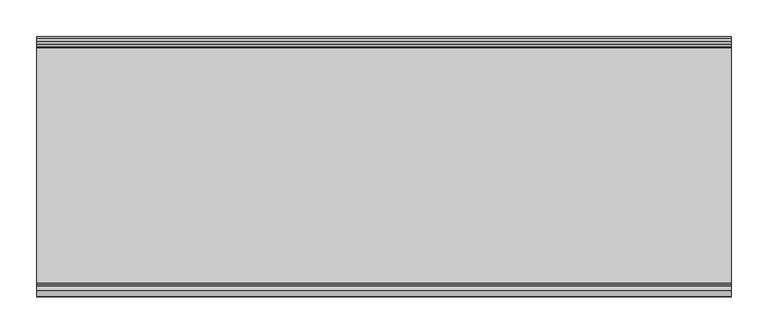
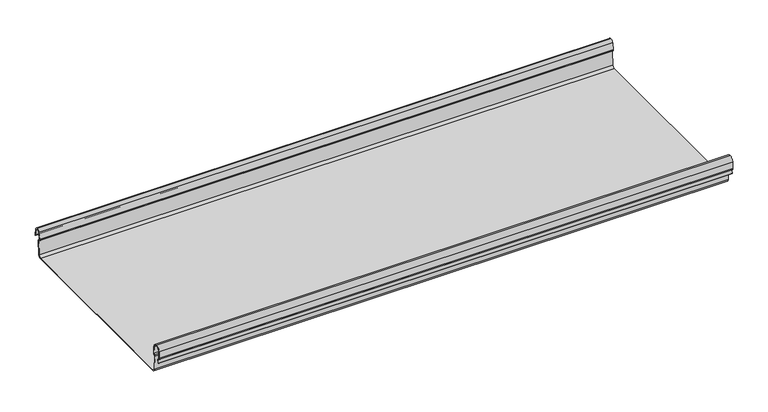
"""IFC4 building model written with IfcOpenShell, lengths in millimetres: beam geometry."""

from ifc_helpers import new_model, si_unit, frame, origin, place, context, project, spatial, polyline, circle_curve, source, transform, mapped, element, save
from ifc_brep_helpers import plane_surface, cylinder_surface, revolved_surface, advanced_brep


def beam_b357ab69(model_context):
    return source(origin(), model_context, "Body", "AdvancedBrep", [
        advanced_brep(
        [(472.5002337, 174.5298471, 17.4730576), (472.5002337, 169.9958217, 21.2486363), (472.5002337, 165.4890072, 17.6093124), (472.5002337, 163.0420077, 6.2503755), (472.5002337, 164.7006671, 3.7959761), (472.5002337, 165.8698319, 2.0849359), (472.5002337, 164.3793103, -21.3247551), (472.5002337, 160.6848586, -24.7896475), (472.5002337, -159.5640942, -24.7896475), (472.5002337, -163.2568715, -21.3207217), (472.5002337, -164.7263748, 2.1632779), (472.5002337, -164.0984471, 3.0966958), (472.5002337, -161.8868093, 6.1624874), (472.5002337, -162.770348, 17.3389905), (472.5002337, -170.0, 24.0196704), (472.5002337, -177.229652, 17.3389905), (472.5002337, -178.1131907, 6.1624874), (472.5002337, -175.9015529, 3.0966958), (472.5002337, -175.2736252, 2.1632779), (472.5002337, -175.6653397, -4.0966758), (472.5002337, -174.6633838, -4.0966758), (472.5002337, -174.255975, 2.4140875), (472.5002337, -175.661391, 4.0675496), (472.5002337, -177.1158116, 6.08368), (472.5002337, -176.2261211, 17.3379999), (472.5002337, -170.0, 23.0196704), (472.5002337, -163.767144, 17.2589936), (472.5002337, -162.8795452, 6.0037927), (472.5002337, -164.338609, 4.0675496), (472.5002337, -165.744025, 2.4140875), (472.5002337, -164.2549195, -21.3831743), (472.5002337, -159.5640942, -25.7896475), (472.5002337, 160.6846135, -25.7896475), (472.5002337, 165.3772895, -21.3882975), (472.5002337, 166.868024, 2.0247376), (472.5002337, 164.9644432, 4.7613501), (472.5002337, 164.0277999, 6.0779003), (472.5002337, 166.4434849, 17.2822335), (472.5002337, 170.0063307, 20.2496221), (472.5002337, 173.4803249, 17.6539317), (472.5002337, 175.5075757, 6.5459412), (472.5002337, 176.5074356, 6.7299959), (-472.5002337, 174.5298471, 17.4730576), (-472.5002337, 176.5074356, 6.7299959), (-472.5002337, 175.5075757, 6.5459412), (-472.5002337, 173.4803249, 17.6539317), (-472.5002337, 170.0063307, 20.2496221), (-472.5002337, 166.4434849, 17.2822335), (-472.5002337, 164.0277999, 6.0779003), (-472.5002337, 164.9644432, 4.7613501), (-472.5002337, 166.868024, 2.0247376), (-472.5002337, 165.3772895, -21.3882975), (-472.5002337, 160.6846135, -25.7896475), (-472.5002337, -159.5640942, -25.7896475), (-472.5002337, -164.2549195, -21.3831743), (-472.5002337, -165.744025, 2.4140875), (-472.5002337, -164.338609, 4.0675496), (-472.5002337, -162.8795452, 6.0037927), (-472.5002337, -163.767144, 17.2589936), (-472.5002337, -170.0, 23.0196704), (-472.5002337, -176.2261211, 17.3379999), (-472.5002337, -177.1158116, 6.08368), (-472.5002337, -175.661391, 4.0675496), (-472.5002337, -174.255975, 2.4140875), (-472.5002337, -174.6633838, -4.0966758), (-472.5002337, -175.6653397, -4.0966758), (-472.5002337, -175.2736252, 2.1632779), (-472.5002337, -175.9015529, 3.0966958), (-472.5002337, -178.1066021, 6.2458324), (-472.5002337, -177.229652, 17.3389905), (-472.5002337, -170.0, 24.0196704), (-472.5002337, -162.770348, 17.3389905), (-472.5002337, -161.8868093, 6.1624874), (-472.5002337, -164.0984471, 3.0966958), (-472.5002337, -164.7263748, 2.1632779), (-472.5002337, -163.2568715, -21.3207217), (-472.5002337, -159.5640942, -24.7896475), (-472.5002337, 160.6848586, -24.7896475), (-472.5002337, 164.3793103, -21.3247551), (-472.5002337, 165.8698319, 2.0849359), (-472.5002337, 164.7006671, 3.7959761), (-472.5002337, 163.0420077, 6.2503755), (-472.5002337, 165.4890072, 17.6093124), (-472.5002337, 169.9958217, 21.2486363)],
        [
            (0, 1, circle_curve(frame((472.5002337, 169.9958217, 16.6384317), z_axis=(1.0, 0.0, 0.0), x_axis=(0.0, -1.0, 0.0)), 4.6102046)),
            (1, 2, circle_curve(frame((472.5002337, 169.9958217, 16.6384317), z_axis=(1.0, 0.0, 0.0), x_axis=(0.0, -1.0, 0.0)), 4.6102046)),
            (2, 3),
            (3, 4, circle_curve(frame((472.5002337, 165.4262002, 6.073937), z_axis=(1.0, 0.0, 0.0), x_axis=(0.0, -1.0, 0.0)), 2.3907121)),
            (4, 5, circle_curve(frame((472.5002337, 164.1897695, 2.1919074), z_axis=(-1.0, 0.0, 0.0), x_axis=(0.0, -1.0, 0.0)), 1.6834645)),
            (5, 6),
            (6, 7, circle_curve(frame((472.5002337, 160.6867875, -21.089648), z_axis=(-1.0, 0.0, 0.0), x_axis=(0.0, -1.0, 0.0)), 3.7)),
            (7, 8),
            (8, 9, circle_curve(frame((472.5002337, -159.5640942, -21.0896475), z_axis=(-1.0, 0.0, 0.0), x_axis=(0.0, -1.0, 0.0)), 3.7)),
            (9, 10),
            (10, 11, circle_curve(frame((472.5002337, -163.8044049, 2.2209698), z_axis=(-1.0, 0.0, 0.0), x_axis=(0.0, -1.0, 0.0)), 0.9237732)),
            (11, 12, circle_curve(frame((472.5002337, -164.7984694, 5.9323112), z_axis=(1.0, 0.0, 0.0), x_axis=(0.0, -1.0, 0.0)), 2.9207441)),
            (12, 13),
            (13, 14, circle_curve(frame((472.5002337, -170.0, 16.7674631), z_axis=(1.0, 0.0, 0.0), x_axis=(0.0, -1.0, 0.0)), 7.2522073)),
            (14, 15, circle_curve(frame((472.5002337, -170.0, 16.7674631), z_axis=(1.0, 0.0, 0.0), x_axis=(0.0, -1.0, 0.0)), 7.2522073)),
            (15, 16),
            (16, 17, circle_curve(frame((472.5002337, -175.2001089, 5.9344165), z_axis=(1.0, 0.0, 0.0), x_axis=(0.0, -1.0, 0.0)), 2.9231288)),
            (17, 18, circle_curve(frame((472.5002337, -176.1025472, 2.2835649), z_axis=(-1.0, 0.0, 0.0), x_axis=(0.0, -1.0, 0.0)), 0.8376041)),
            (18, 19),
            (19, 20, circle_curve(frame((472.5002337, -175.1643617, -4.0966758), z_axis=(1.0, 0.0, 0.0), x_axis=(0.0, -1.0, 0.0)), 0.5009779)),
            (20, 21),
            (21, 22, circle_curve(frame((472.5002337, -176.1062911, 2.2653702), z_axis=(1.0, 0.0, 0.0), x_axis=(0.0, -1.0, 0.0)), 1.856283)),
            (22, 23, circle_curve(frame((472.5002337, -175.2010412, 5.9323112), z_axis=(-1.0, 0.0, 0.0), x_axis=(0.0, -1.0, 0.0)), 1.9207441)),
            (23, 24),
            (24, 25, circle_curve(frame((472.5002337, -170.0770494, 16.8518958), z_axis=(-1.0, 0.0, 0.0), x_axis=(0.0, -1.0, 0.0)), 6.1682558)),
            (25, 26, circle_curve(frame((472.5002337, -170.0791743, 16.6817991), z_axis=(-1.0, 0.0, 0.0), x_axis=(0.0, -1.0, 0.0)), 6.3383658)),
            (26, 27),
            (27, 28, circle_curve(frame((472.5002337, -164.70299, 5.8599936), z_axis=(-1.0, 0.0, 0.0), x_axis=(0.0, -1.0, 0.0)), 1.8291061)),
            (28, 29, circle_curve(frame((472.5002337, -163.9886548, 2.3460727), z_axis=(1.0, 0.0, 0.0), x_axis=(0.0, -1.0, 0.0)), 1.7566874)),
            (29, 30),
            (30, 31, circle_curve(frame((472.5002337, -159.5640942, -21.0896475), z_axis=(1.0, 0.0, 0.0), x_axis=(0.0, -1.0, 0.0)), 4.7)),
            (31, 32),
            (32, 33, circle_curve(frame((472.5002337, 160.6846135, -21.0873301), z_axis=(1.0, 0.0, 0.0), x_axis=(0.0, -1.0, 0.0)), 4.7023174)),
            (33, 34),
            (34, 35, circle_curve(frame((472.5002337, 164.1939121, 2.1950013), z_axis=(1.0, 0.0, 0.0), x_axis=(0.0, -1.0, 0.0)), 2.6795268)),
            (35, 36, circle_curve(frame((472.5002337, 165.0972859, 5.8473161), z_axis=(-1.0, 0.0, 0.0), x_axis=(0.0, -1.0, 0.0)), 1.094061)),
            (36, 37),
            (37, 38, circle_curve(frame((472.5002337, 170.0063307, 16.627032), z_axis=(-1.0, 0.0, 0.0), x_axis=(0.0, -1.0, 0.0)), 3.6225901)),
            (38, 39, circle_curve(frame((472.5002337, 170.0063307, 16.627032), z_axis=(-1.0, 0.0, 0.0), x_axis=(0.0, -1.0, 0.0)), 3.6225901)),
            (39, 40),
            (40, 41, circle_curve(frame((472.5002337, 176.0075057, 6.6379685), z_axis=(1.0, 0.0, 0.0), x_axis=(0.0, -1.0, 0.0)), 0.5083296)),
            (41, 0),
            (42, 43),
            (43, 44, circle_curve(frame((-472.5002337, 176.0075057, 6.6379685), z_axis=(-1.0, 0.0, 0.0), x_axis=(0.0, -1.0, 0.0)), 0.5083296)),
            (44, 45),
            (45, 46, circle_curve(frame((-472.5002337, 170.0063307, 16.627032), z_axis=(1.0, 0.0, 0.0), x_axis=(0.0, -1.0, 0.0)), 3.6225901)),
            (46, 47, circle_curve(frame((-472.5002337, 170.0063307, 16.627032), z_axis=(1.0, 0.0, 0.0), x_axis=(0.0, -1.0, 0.0)), 3.6225901)),
            (47, 48),
            (48, 49, circle_curve(frame((-472.5002337, 165.0972859, 5.8473161), z_axis=(1.0, 0.0, 0.0), x_axis=(0.0, -1.0, 0.0)), 1.094061)),
            (49, 50, circle_curve(frame((-472.5002337, 164.1939121, 2.1950013), z_axis=(-1.0, 0.0, 0.0), x_axis=(0.0, -1.0, 0.0)), 2.6795268)),
            (50, 51),
            (51, 52, circle_curve(frame((-472.5002337, 160.6846135, -21.0873301), z_axis=(-1.0, 0.0, 0.0), x_axis=(0.0, -1.0, 0.0)), 4.7023174)),
            (52, 53),
            (53, 54, circle_curve(frame((-472.5002337, -159.5640942, -21.0896475), z_axis=(-1.0, 0.0, 0.0), x_axis=(0.0, -1.0, 0.0)), 4.7)),
            (54, 55),
            (55, 56, circle_curve(frame((-472.5002337, -163.9886548, 2.3460727), z_axis=(-1.0, 0.0, 0.0), x_axis=(0.0, -1.0, 0.0)), 1.7566874)),
            (56, 57, circle_curve(frame((-472.5002337, -164.70299, 5.8599936), z_axis=(1.0, 0.0, 0.0), x_axis=(0.0, -1.0, 0.0)), 1.8291061)),
            (57, 58),
            (58, 59, circle_curve(frame((-472.5002337, -170.0791743, 16.6817991), z_axis=(1.0, 0.0, 0.0), x_axis=(0.0, -1.0, 0.0)), 6.3383658)),
            (59, 60, circle_curve(frame((-472.5002337, -170.0770494, 16.8518958), z_axis=(1.0, 0.0, 0.0), x_axis=(0.0, -1.0, 0.0)), 6.1682558)),
            (60, 61),
            (61, 62, circle_curve(frame((-472.5002337, -175.2010412, 5.9323112), z_axis=(1.0, 0.0, 0.0), x_axis=(0.0, -1.0, 0.0)), 1.9207441)),
            (62, 63, circle_curve(frame((-472.5002337, -176.1062911, 2.2653702), z_axis=(-1.0, 0.0, 0.0), x_axis=(0.0, -1.0, 0.0)), 1.856283)),
            (63, 64),
            (64, 65, circle_curve(frame((-472.5002337, -175.1643617, -4.0966758), z_axis=(-1.0, 0.0, 0.0), x_axis=(0.0, -1.0, 0.0)), 0.5009779)),
            (65, 66),
            (66, 67, circle_curve(frame((-472.5002337, -176.1025472, 2.2835649), z_axis=(1.0, 0.0, 0.0), x_axis=(0.0, -1.0, 0.0)), 0.8376041)),
            (67, 68, circle_curve(frame((-472.5002337, -175.2001089, 5.9344165), z_axis=(-1.0, 0.0, 0.0), x_axis=(0.0, -1.0, 0.0)), 2.9231288)),
            (68, 69),
            (69, 70, circle_curve(frame((-472.5002337, -170.0, 16.7674631), z_axis=(-1.0, 0.0, 0.0), x_axis=(0.0, -1.0, 0.0)), 7.2522073)),
            (70, 71, circle_curve(frame((-472.5002337, -170.0, 16.7674631), z_axis=(-1.0, 0.0, 0.0), x_axis=(0.0, -1.0, 0.0)), 7.2522073)),
            (71, 72),
            (72, 73, circle_curve(frame((-472.5002337, -164.7984694, 5.9323112), z_axis=(-1.0, 0.0, 0.0), x_axis=(0.0, -1.0, 0.0)), 2.9207441)),
            (73, 74, circle_curve(frame((-472.5002337, -163.8044049, 2.2209698), z_axis=(1.0, 0.0, 0.0), x_axis=(0.0, -1.0, 0.0)), 0.9237732)),
            (74, 75),
            (75, 76, circle_curve(frame((-472.5002337, -159.5640942, -21.0896475), z_axis=(1.0, 0.0, 0.0), x_axis=(0.0, -1.0, 0.0)), 3.7)),
            (76, 77),
            (77, 78, circle_curve(frame((-472.5002337, 160.6867875, -21.089648), z_axis=(1.0, 0.0, 0.0), x_axis=(0.0, -1.0, 0.0)), 3.7)),
            (78, 79),
            (79, 80, circle_curve(frame((-472.5002337, 164.1897695, 2.1919074), z_axis=(1.0, 0.0, 0.0), x_axis=(0.0, -1.0, 0.0)), 1.6834645)),
            (80, 81, circle_curve(frame((-472.5002337, 165.4262002, 6.073937), z_axis=(-1.0, 0.0, 0.0), x_axis=(0.0, -1.0, 0.0)), 2.3907121)),
            (81, 82),
            (82, 83, circle_curve(frame((-472.5002337, 169.9958217, 16.6384317), z_axis=(-1.0, 0.0, 0.0), x_axis=(0.0, -1.0, 0.0)), 4.6102046)),
            (83, 42, circle_curve(frame((-472.5002337, 169.9958217, 16.6384317), z_axis=(-1.0, 0.0, 0.0), x_axis=(0.0, -1.0, 0.0)), 4.6102046)),
            (42, 0),
            (41, 43),
            (40, 44),
            (39, 45),
            (38, 46),
            (37, 47),
            (36, 48),
            (35, 49),
            (34, 50),
            (33, 51),
            (32, 52),
            (31, 53),
            (30, 54),
            (29, 55),
            (28, 56),
            (27, 57),
            (26, 58),
            (25, 59),
            (24, 60),
            (23, 61),
            (22, 62),
            (21, 63),
            (20, 64),
            (19, 65),
            (18, 66),
            (17, 67),
            (16, 68),
            (15, 69),
            (14, 70),
            (13, 71),
            (12, 72),
            (11, 73),
            (10, 74),
            (9, 75),
            (8, 76),
            (7, 77),
            (6, 78),
            (5, 79),
            (4, 80),
            (3, 81),
            (2, 82),
            (1, 83),
        ],
        [
            plane_surface(frame((472.5002337, 176.5074356, 6.7299959), z_axis=(1.0000000000000002, 0.0, 0.0), x_axis=(0.0, -0.18103878268248824, 0.9834759575936989))),
            plane_surface(frame((-472.5002337, 176.5074356, 6.7299959), z_axis=(-1.0000000000000002, 0.0, 0.0), x_axis=(0.0, 0.18103878268248824, -0.9834759575936989))),
            plane_surface(frame((-472.5002337, 174.5298471, 17.4730576), z_axis=(0.0, 0.9834759575936989, 0.18103878268248824), x_axis=(1.0, 0.0, 0.0))),
            cylinder_surface(frame((472.5002337, 176.0075057, 6.6379685), z_axis=(-1.0, 0.0, 0.0), x_axis=(0.0, -1.0, 0.0)), 0.5083296),
            plane_surface(frame((-472.5002337, 175.5075757, 6.5459412), z_axis=(0.0, -0.9837509798367421, -0.17953832368118477), x_axis=(1.0, 0.0, 0.0))),
            revolved_surface(polyline([(472.5002337, 166.3837406, 16.627032), (-472.5002337, 166.3837406, 16.627032)]), (472.5002337, 170.0063307, 16.627032), (1.0, 0.0, 0.0)),
            plane_surface(frame((-472.5002337, 166.4434849, 17.2822335), z_axis=(0.0, 0.977537868063593, -0.21075985505234474), x_axis=(1.0, 0.0, 0.0))),
            revolved_surface(polyline([(472.5002337, 164.0032249, 5.8473161), (-472.5002337, 164.0032249, 5.8473161)]), (472.5002337, 165.0972859, 5.8473161), (1.0, 0.0, 0.0)),
            cylinder_surface(frame((472.5002337, 164.1939121, 2.1950013), z_axis=(-1.0, 0.0, 0.0), x_axis=(0.0, -1.0, 0.0)), 2.6795268),
            plane_surface(frame((-472.5002337, 166.868024, 2.0247376), z_axis=(0.0, 0.9979791357337671, -0.06354246328309475), x_axis=(1.0, 0.0, 0.0))),
            cylinder_surface(frame((472.5002337, 160.6846135, -21.0873301), z_axis=(-1.0, 0.0, 0.0), x_axis=(0.0, -1.0, 0.0)), 4.7023174),
            plane_surface(frame((-472.5002337, 160.6846135, -25.7896475), z_axis=(0.0, 0.0, -1.0), x_axis=(1.0, 0.0, 0.0))),
            cylinder_surface(frame((472.5002337, -159.5640942, -21.0896475), z_axis=(-1.0, 0.0, 0.0), x_axis=(0.0, -1.0, 0.0)), 4.7),
            plane_surface(frame((-472.5002337, -164.2549195, -21.3831743), z_axis=(0.0, -0.998047936803975, -0.062452508687232275), x_axis=(1.0, 0.0, 0.0))),
            cylinder_surface(frame((472.5002337, -163.9886548, 2.3460727), z_axis=(-1.0, 0.0, 0.0), x_axis=(0.0, -1.0, 0.0)), 1.7566874),
            revolved_surface(polyline([(472.5002337, -166.5320961, 5.8599936), (-472.5002337, -166.5320961, 5.8599936)]), (472.5002337, -164.70299, 5.8599936), (1.0, 0.0, 0.0)),
            plane_surface(frame((-472.5002337, -162.8795452, 6.0037927), z_axis=(0.0, -0.9969048840808036, -0.07861712342638659), x_axis=(1.0, 0.0, 0.0))),
            revolved_surface(polyline([(472.5002337, -176.4175401, 16.6817991), (-472.5002337, -176.4175401, 16.6817991)]), (472.5002337, -170.0791743, 16.6817991), (1.0, 0.0, 0.0)),
            revolved_surface(polyline([(472.5002337, -176.2453052, 16.8518958), (-472.5002337, -176.2453052, 16.8518958)]), (472.5002337, -170.0770494, 16.8518958), (1.0, 0.0, 0.0)),
            plane_surface(frame((-472.5002337, -176.2261211, 17.3379999), z_axis=(0.0, 0.9968898625471324, -0.07880737243912894), x_axis=(1.0, 0.0, 0.0))),
            revolved_surface(polyline([(472.5002337, -177.1217853, 5.9323112), (-472.5002337, -177.1217853, 5.9323112)]), (472.5002337, -175.2010412, 5.9323112), (1.0, 0.0, 0.0)),
            cylinder_surface(frame((472.5002337, -176.1062911, 2.2653702), z_axis=(-1.0, 0.0, 0.0), x_axis=(0.0, -1.0, 0.0)), 1.856283),
            plane_surface(frame((-472.5002337, -174.255975, 2.4140875), z_axis=(0.0, 0.9980479368039775, -0.062452508687190836), x_axis=(1.0, 0.0, 0.0))),
            cylinder_surface(frame((472.5002337, -175.1643617, -4.0966758), z_axis=(-1.0, 0.0, 0.0), x_axis=(0.0, -1.0, 0.0)), 0.5009779),
            plane_surface(frame((-472.5002337, -175.6653397, -4.0966758), z_axis=(0.0, -0.9980479368039783, 0.0624525086871798), x_axis=(1.0, 0.0, 0.0))),
            revolved_surface(polyline([(472.5002337, -176.9401513, 2.2835649), (-472.5002337, -176.9401513, 2.2835649)]), (472.5002337, -176.1025472, 2.2835649), (1.0, 0.0, 0.0)),
            cylinder_surface(frame((472.5002337, -175.2001089, 5.9344165), z_axis=(-1.0, 0.0, 0.0), x_axis=(0.0, -1.0, 0.0)), 2.9231288),
            plane_surface(frame((-472.5002337, -178.1131907, 6.1624874), z_axis=(0.0, -0.9968898625471329, 0.07880737243912257), x_axis=(1.0, 0.0, 0.0))),
            cylinder_surface(frame((472.5002337, -170.0, 16.7674631), z_axis=(-1.0, 0.0, 0.0), x_axis=(0.0, -1.0, 0.0)), 7.2522073),
            plane_surface(frame((-472.5002337, -162.770348, 17.3389905), z_axis=(0.0, 0.9968898625471306, 0.07880737243915131), x_axis=(1.0, 0.0, 0.0))),
            cylinder_surface(frame((472.5002337, -164.7984694, 5.9323112), z_axis=(-1.0, 0.0, 0.0), x_axis=(0.0, -1.0, 0.0)), 2.9207441),
            revolved_surface(polyline([(472.5002337, -164.7281781, 2.2209698), (-472.5002337, -164.7281781, 2.2209698)]), (472.5002337, -163.8044049, 2.2209698), (1.0, 0.0, 0.0)),
            plane_surface(frame((-472.5002337, -164.7263748, 2.1632779), z_axis=(0.0, 0.9980479368039752, 0.062452508687228465), x_axis=(1.0, 0.0, 0.0))),
            revolved_surface(polyline([(472.5002337, -163.2640942, -21.0896475), (-472.5002337, -163.2640942, -21.0896475)]), (472.5002337, -159.5640942, -21.0896475), (1.0, 0.0, 0.0)),
            plane_surface(frame((-472.5002337, -159.5640942, -24.7896475), z_axis=(0.0, 0.0, 1.0), x_axis=(1.0, 0.0, 0.0))),
            revolved_surface(polyline([(472.5002337, 156.98678750000002, -21.089648), (-472.5002337, 156.98678750000002, -21.089648)]), (472.5002337, 160.6867875, -21.089648), (1.0, 0.0, 0.0)),
            plane_surface(frame((-472.5002337, 164.3793103, -21.3247551), z_axis=(0.0, -0.9979791357337673, 0.06354246328309172), x_axis=(1.0, 0.0, 0.0))),
            revolved_surface(polyline([(472.5002337, 162.506305, 2.1919074), (-472.5002337, 162.506305, 2.1919074)]), (472.5002337, 164.1897695, 2.1919074), (1.0, 0.0, 0.0)),
            cylinder_surface(frame((472.5002337, 165.4262002, 6.073937), z_axis=(-1.0, 0.0, 0.0), x_axis=(0.0, -1.0, 0.0)), 2.3907121),
            plane_surface(frame((-472.5002337, 163.0420077, 6.2503755), z_axis=(0.0, -0.9775736456656271, 0.21059384440200307), x_axis=(1.0, 0.0, 0.0))),
            cylinder_surface(frame((472.5002337, 169.9958217, 16.6384317), z_axis=(-1.0, 0.0, 0.0), x_axis=(0.0, -1.0, 0.0)), 4.6102046),
        ],
        [
            (0, [[1, 2, 3, 4, 5, 6, 7, 8, 9, 10, 11, 12, 13, 14, 15, 16, 17, 18, 19, 20, 21, 22, 23, 24, 25, 26, 27, 28, 29, 30, 31, 32, 33, 34, 35, 36, 37, 38, 39, 40, 41, 42]]),
            (1, [[43, 44, 45, 46, 47, 48, 49, 50, 51, 52, 53, 54, 55, 56, 57, 58, 59, 60, 61, 62, 63, 64, 65, 66, 67, 68, 69, 70, 71, 72, 73, 74, 75, 76, 77, 78, 79, 80, 81, 82, 83, 84]]),
            (2, [[-43, 85, -42, 86]]),
            (3, [[-44, -86, -41, 87]]),
            (4, [[-45, -87, -40, 88]]),
            (5, [[-46, -88, -39, 89]]),
            (5, [[-47, -89, -38, 90]]),
            (6, [[-48, -90, -37, 91]]),
            (7, [[-49, -91, -36, 92]]),
            (8, [[-50, -92, -35, 93]]),
            (9, [[-51, -93, -34, 94]]),
            (10, [[-52, -94, -33, 95]]),
            (11, [[-53, -95, -32, 96]]),
            (12, [[-54, -96, -31, 97]]),
            (13, [[-55, -97, -30, 98]]),
            (14, [[-56, -98, -29, 99]]),
            (15, [[-57, -99, -28, 100]]),
            (16, [[-58, -100, -27, 101]]),
            (17, [[-59, -101, -26, 102]]),
            (18, [[-60, -102, -25, 103]]),
            (19, [[-61, -103, -24, 104]]),
            (20, [[-62, -104, -23, 105]]),
            (21, [[-63, -105, -22, 106]]),
            (22, [[-64, -106, -21, 107]]),
            (23, [[-65, -107, -20, 108]]),
            (24, [[-66, -108, -19, 109]]),
            (25, [[-67, -109, -18, 110]]),
            (26, [[-68, -110, -17, 111]]),
            (27, [[-69, -111, -16, 112]]),
            (28, [[-70, -112, -15, 113]]),
            (28, [[-71, -113, -14, 114]]),
            (29, [[-72, -114, -13, 115]]),
            (30, [[-73, -115, -12, 116]]),
            (31, [[-74, -116, -11, 117]]),
            (32, [[-75, -117, -10, 118]]),
            (33, [[-76, -118, -9, 119]]),
            (34, [[-77, -119, -8, 120]]),
            (35, [[-78, -120, -7, 121]]),
            (36, [[-79, -121, -6, 122]]),
            (37, [[-80, -122, -5, 123]]),
            (38, [[-81, -123, -4, 124]]),
            (39, [[-82, -124, -3, 125]]),
            (40, [[-83, -125, -2, 126]]),
            (40, [[-84, -126, -1, -85]]),
        ],
    ),
    ])


if __name__ == "__main__":
    model = new_model("IFC4")
    model_context = context("Model", 3, world=origin())
    ifc_project = project(units=[si_unit("LENGTHUNIT", "METRE", prefix="MILLI")], contexts=[model_context])
    site = spatial("IfcSite", under=ifc_project)
    building = spatial("IfcBuilding", under=site)
    placement = place(None, origin())
    beam_shape = beam_b357ab69(model_context)
    element("IfcBeam", 1, at=placement, inside=building, context=model_context, shape_type="MappedRepresentation", body=[
        mapped(beam_shape, transform((0.0, 0.0, 0.0), x_axis=(1.0, 0.0, 0.0), y_axis=(0.0, 1.0, 0.0), z_axis=(0.0, 0.0, 1.0))),
    ])
    save(model, "model.ifc")
